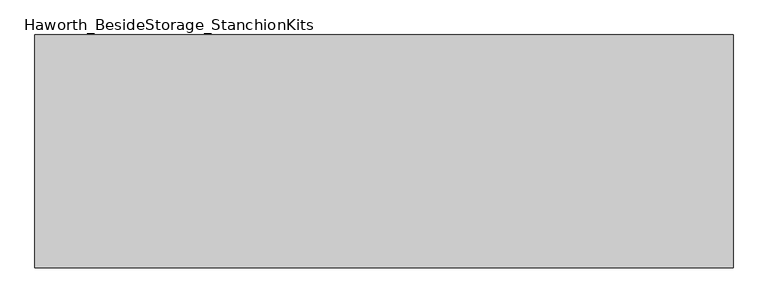
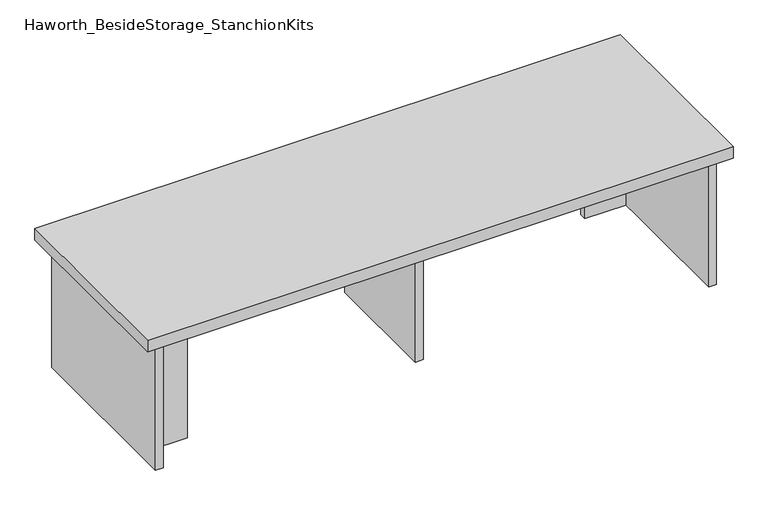
"""IFC4 building model written with IfcOpenShell, lengths in millimetres: furniture geometry, Haworth_BesideStorage_StanchionKits."""

from ifc_helpers import new_model, si_unit, frame, origin, place, context, project, spatial, polyline, outline, extrude, source, transform, mapped, element, save


def haworth_besidestorage_stanchionkits_6e59278a(model_context):
    return source(origin(), model_context, "Body", "SweptSolid", [
        extrude(outline(polyline([(771.525, 0.0), (771.525, -406.4), (-447.675, -406.4), (-447.675, 0.0), (771.525, 0.0)])), frame((0.0, 0.0, 711.2), z_axis=(0.0, 0.0, 1.0), x_axis=(1.0, 0.0, 0.0)), (0.0, 0.0, 1.0), 25.4),
        extrude(outline(polyline([(644.525, -76.2), (730.25, -76.2), (730.25, -92.075), (644.525, -92.075), (644.525, -76.2)])), frame((0.0, 0.0, 431.8), z_axis=(0.0, 0.0, 1.0), x_axis=(1.0, 0.0, 0.0)), (0.0, 0.0, 1.0), 279.4),
        extrude(outline(polyline([(-320.675, -314.325), (-320.675, -330.2), (-406.4, -330.2), (-406.4, -314.325), (-320.675, -314.325)])), frame((0.0, 0.0, 431.8), z_axis=(0.0, 0.0, 1.0), x_axis=(1.0, 0.0, 0.0)), (0.0, 0.0, 1.0), 279.4),
        extrude(outline(polyline([(169.8625, -330.2), (153.9875, -330.2), (153.9875, -76.2), (169.8625, -76.2), (169.8625, -330.2)])), frame((0.0, 0.0, 431.8), z_axis=(0.0, 0.0, 1.0), x_axis=(1.0, 0.0, 0.0)), (0.0, 0.0, 1.0), 279.4),
        extrude(outline(polyline([(746.125, -390.525), (730.25, -390.525), (730.25, -15.875), (746.125, -15.875), (746.125, -390.525)])), frame((0.0, 0.0, 431.8), z_axis=(0.0, 0.0, 1.0), x_axis=(1.0, 0.0, 0.0)), (0.0, 0.0, 1.0), 279.4),
        extrude(outline(polyline([(-406.4, -390.525), (-422.275, -390.525), (-422.275, -15.875), (-406.4, -15.875), (-406.4, -390.525)])), frame((0.0, 0.0, 431.8), z_axis=(0.0, 0.0, 1.0), x_axis=(1.0, 0.0, 0.0)), (0.0, 0.0, 1.0), 279.4),
    ])


if __name__ == "__main__":
    model = new_model("IFC4")
    model_context = context("Model", 3, world=origin())
    ifc_project = project(units=[si_unit("LENGTHUNIT", "METRE", prefix="MILLI")], contexts=[model_context])
    site = spatial("IfcSite", under=ifc_project)
    building = spatial("IfcBuilding", under=site)
    placement = place(None, origin())
    haworth_besidestorage_stanchionkits_shape = haworth_besidestorage_stanchionkits_6e59278a(model_context)
    element("IfcFurniture", 1, ObjectType="Haworth_BesideStorage_StanchionKits", at=placement, inside=building, context=model_context, shape_type="MappedRepresentation", body=[
        mapped(haworth_besidestorage_stanchionkits_shape, transform((0.0, 0.0, 0.0), x_axis=(1.0, 0.0, 0.0), y_axis=(0.0, 1.0, 0.0), z_axis=(0.0, 0.0, 1.0))),
    ])
    save(model, "model.ifc")
